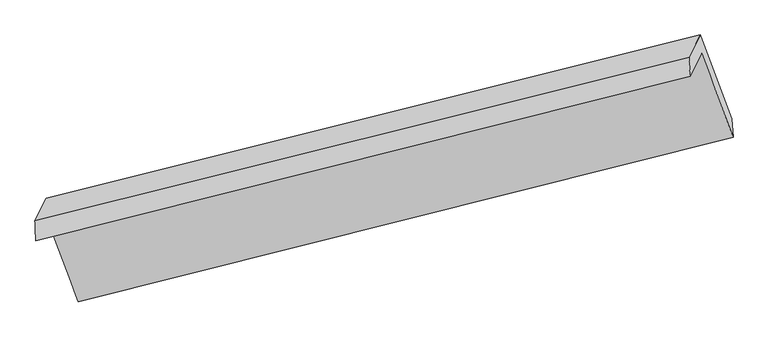
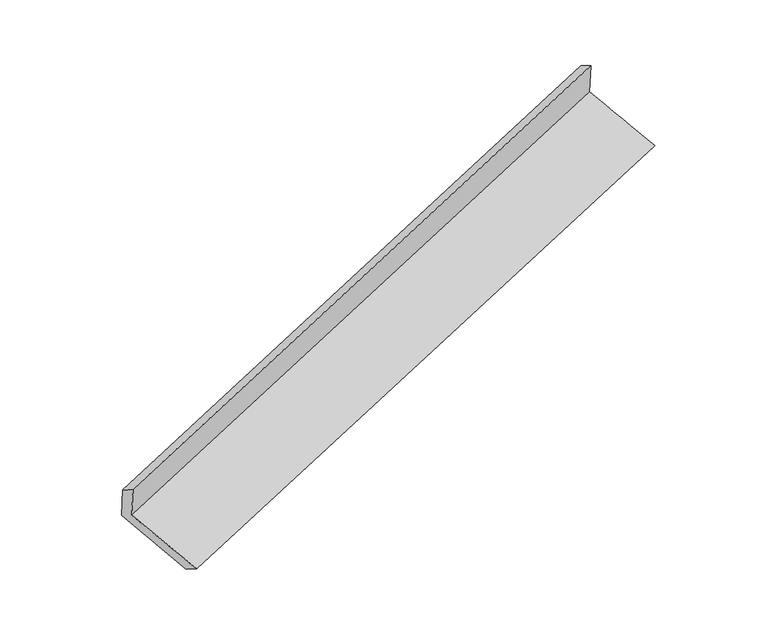
"""IFC4 building model written with IfcOpenShell, lengths in millimetres: proxy geometry."""

import ifcopenshell
import ifcopenshell.guid

model = None  # the IFC model being written
_history = None  # IfcOwnerHistory: only IFC2X3 demands one
_inside = {}  # id of a spatial element -> (the spatial element, [elements in it])
_under = {}  # id of a project, library or spatial element -> (it, [spatial elements below it])
_declared = {}  # id of a project -> (the project, [libraries it declares])
_typed = {}  # id of a type object -> (the type object, [elements of that type])
_made_of = {}  # id of a material, layer set ... -> (it, [elements and type objects made of it])


def new_model(schema):
    """Start an empty IFC model of exactly this schema.

    Asked for "IFC4X3", IfcOpenShell would pick the latest addendum, in which some entities
    have other attributes; the version numbers below select the first issue.
    IFC2X3 requires an IfcOwnerHistory on every rooted entity: one is made here for all.
    """
    global model, _history
    if schema == "IFC4X3":
        model = ifcopenshell.file(schema_version=(4, 3, 0, 0))
    else:
        model = ifcopenshell.file(schema=schema)
    _inside.clear()
    _under.clear()
    _declared.clear()
    _typed.clear()
    _made_of.clear()
    _history = None
    if model.schema == "IFC2X3":
        org = make("IfcOrganization", Name="unknown")
        user = make(
            "IfcPersonAndOrganization",
            ThePerson=make("IfcPerson", FamilyName="unknown"),
            TheOrganization=org,
        )
        app = make(
            "IfcApplication",
            ApplicationDeveloper=org,
            Version="unknown",
            ApplicationFullName="unknown",
            ApplicationIdentifier="unknown",
        )
        _history = make(
            "IfcOwnerHistory",
            OwningUser=user,
            OwningApplication=app,
            ChangeAction="ADDED",
            CreationDate=0,
        )
    return model


def make(cls, **values):
    """One entity of the class cls with the attributes given. An attribute that is None is left unset."""
    return model.create_entity(
        cls, **{name: value for name, value in values.items() if value is not None}
    )


def rooted(cls, **values):
    """An entity with a GlobalId (a new one), such as an element, a storey or a relation."""
    return make(cls, GlobalId=ifcopenshell.guid.new(), OwnerHistory=_history, **values)


def si_unit(unit_type, name, prefix=None):
    """IfcSIUnit, for example si_unit("LENGTHUNIT", "METRE", prefix="MILLI")."""
    return make("IfcSIUnit", UnitType=unit_type, Prefix=prefix, Name=name)


def assignment(units):
    """IfcUnitAssignment: the units of a project."""
    return None if units is None else make("IfcUnitAssignment", Units=units)


def point(xyz):
    """IfcCartesianPoint."""
    return None if xyz is None else make("IfcCartesianPoint", Coordinates=xyz)


def direction(xyz):
    """IfcDirection."""
    return None if xyz is None else make("IfcDirection", DirectionRatios=xyz)


def frame(location, z_axis=None, x_axis=None):
    """IfcAxis2Placement3D, a coordinate frame: its origin and axes. An axis left out is left unset."""
    return make(
        "IfcAxis2Placement3D",
        Location=point(location),
        Axis=direction(z_axis),
        RefDirection=direction(x_axis),
    )


def origin():
    """The frame at (0, 0, 0) with its axes left unset."""
    return frame((0.0, 0.0, 0.0))


def place(relative_to, where):
    """IfcLocalPlacement: puts the frame where relative to a parent placement (None: the world)."""
    return make(
        "IfcLocalPlacement", PlacementRelTo=relative_to, RelativePlacement=where
    )


def context(
    kind, dimensions, precision=None, world=None, true_north=None, identifier=None
):
    """IfcGeometricRepresentationContext, for example the 3D "Model" context."""
    return make(
        "IfcGeometricRepresentationContext",
        ContextIdentifier=identifier,
        ContextType=kind,
        CoordinateSpaceDimension=dimensions,
        Precision=precision,
        WorldCoordinateSystem=world,
        TrueNorth=true_north,
    )


def project(units=None, contexts=None):
    """IfcProject with its units and contexts."""
    return rooted(
        "IfcProject",
        Name="project",
        RepresentationContexts=contexts,
        UnitsInContext=assignment(units),
    )


def spatial(cls, under=None, at=None, **own):
    """A site, building, storey or space (cls), placed at a placement, below another one or the project."""
    s = rooted(cls, ObjectPlacement=at, **own)
    if under is not None:
        _under.setdefault(under.id(), (under, []))[1].append(s)
    return s


def shape(context_of_items, identifier, shape_type, items):
    """IfcShapeRepresentation: the items that make up one representation, for example the "Body"."""
    return make(
        "IfcShapeRepresentation",
        ContextOfItems=context_of_items,
        RepresentationIdentifier=identifier,
        RepresentationType=shape_type,
        Items=items,
    )


def source(mapping_origin, context_of_items, identifier, shape_type, items):
    """IfcRepresentationMap: a shape defined once, which mapped items show again and again."""
    return make(
        "IfcRepresentationMap",
        MappingOrigin=mapping_origin,
        MappedRepresentation=shape(context_of_items, identifier, shape_type, items),
    )


def transform(
    local_origin,
    x_axis=None,
    y_axis=None,
    z_axis=None,
    scale=None,
    scale2=None,
    scale3=None,
    uniform=True,
):
    """IfcCartesianTransformationOperator3D, or its non-uniform kind. x_axis, y_axis, z_axis: its Axis1, 2, 3."""
    if uniform:
        return make(
            "IfcCartesianTransformationOperator3D",
            Axis1=direction(x_axis),
            Axis2=direction(y_axis),
            LocalOrigin=point(local_origin),
            Scale=scale,
            Axis3=direction(z_axis),
        )
    return make(
        "IfcCartesianTransformationOperator3DnonUniform",
        Axis1=direction(x_axis),
        Axis2=direction(y_axis),
        LocalOrigin=point(local_origin),
        Scale=scale,
        Axis3=direction(z_axis),
        Scale2=scale2,
        Scale3=scale3,
    )


def mapped(mapping_source, mapping_target):
    """IfcMappedItem: shows the shape of a source again, moved by a transform."""
    return make(
        "IfcMappedItem", MappingSource=mapping_source, MappingTarget=mapping_target
    )


def made_of(thing, what):
    """Note that an element or type object is made of a material, layer set ...; save() writes the relation."""
    if what is not None:
        _made_of.setdefault(what.id(), (what, []))[1].append(thing)
    return thing


def element(
    cls,
    number,
    at=None,
    inside=None,
    cuts=None,
    type_object=None,
    material=None,
    context=None,
    identifier="Body",
    shape_type=None,
    held_by="IfcProductDefinitionShape",
    body=None,
    shapes=None,
    **own,
):
    """One element of the class cls, such as IfcWall. Its Tag is "e" and its number.

    at: its placement. inside: the storey or other place that contains it. cuts: it is an
    opening in that element (IfcRelVoidsElement). A single representation is given by context,
    identifier, shape_type and body (its items); several are given by shapes. held_by: the class
    of the entity that holds the representations. save() writes the other relations.
    """
    e = rooted(cls, Tag="e%d" % number, ObjectPlacement=at, **own)
    if body is not None:
        shapes = [shape(context, identifier, shape_type, body)]
    if shapes is not None:
        e.Representation = make(held_by, Representations=shapes)
    if inside is not None:
        _inside.setdefault(inside.id(), (inside, []))[1].append(e)
    if cuts is not None:
        rooted(
            "IfcRelVoidsElement", RelatingBuildingElement=cuts, RelatedOpeningElement=e
        )
    if type_object is not None:
        _typed.setdefault(type_object.id(), (type_object, []))[1].append(e)
    return made_of(e, material)


def aggregate(whole, parts):
    """IfcRelAggregates: a whole, such as a stair, and the parts it consists of."""
    return rooted("IfcRelAggregates", RelatingObject=whole, RelatedObjects=parts)


def save(model, path):
    """Write the relations noted so far, then the file.

    IfcRelAggregates (storeys below a building ...), IfcRelContainedInSpatialStructure (elements
    in a storey), IfcRelDefinesByType, IfcRelAssociatesMaterial and IfcRelDeclares: one each for
    every whole, place, type object, material and project.
    """
    for whole, parts in _under.values():
        aggregate(whole, parts)
    for where, things in _inside.values():
        rooted(
            "IfcRelContainedInSpatialStructure",
            RelatedElements=things,
            RelatingStructure=where,
        )
    for kind, things in _typed.values():
        rooted("IfcRelDefinesByType", RelatedObjects=things, RelatingType=kind)
    for what, things in _made_of.values():
        rooted("IfcRelAssociatesMaterial", RelatedObjects=things, RelatingMaterial=what)
    for by, libraries in _declared.values():
        rooted("IfcRelDeclares", RelatingContext=by, RelatedDefinitions=libraries)
    model.write(path)


def plane_surface(at):
    """IfcPlane: the flat surface through the origin of the frame at, square to its z axis."""
    return make("IfcPlane", Position=at)


def spline_surface(u_degree, v_degree, points, u_multiplicities, v_multiplicities, u_knots, v_knots, weights=None):
    """IfcBSplineSurfaceWithKnots; with weights, IfcRationalBSplineSurfaceWithKnots. points: one row for each step in u."""
    own = dict(
        UDegree=u_degree,
        VDegree=v_degree,
        ControlPointsList=[[point(p) for p in row] for row in points],
        SurfaceForm="UNSPECIFIED",
        UClosed=False,
        VClosed=False,
        SelfIntersect=False,
        UMultiplicities=u_multiplicities,
        VMultiplicities=v_multiplicities,
        UKnots=u_knots,
        VKnots=v_knots,
        KnotSpec="UNSPECIFIED",
    )
    if weights is None:
        return make("IfcBSplineSurfaceWithKnots", **own)
    return make("IfcRationalBSplineSurfaceWithKnots", WeightsData=weights, **own)


def advanced_brep(points, edges, surfaces, faces):
    """IfcAdvancedBrep: a solid bounded by faces that lie on surfaces and meet in shared edges.

    An edge is (start, end): straight between two places in points (the first is 0);
    or (start, end, curve); or (start, end, curve, False) where it runs against its curve.
    A face is (place in surfaces, loops), or (place, loops, False) where it looks against
    its surface's normal. A loop lists edges by number (the first is 1), with a minus sign
    where the edge is run from its end to its start. The first loop is the outer one.
    """
    corners = [point(p) for p in points]
    vertices = [make("IfcVertexPoint", VertexGeometry=c) for c in corners]
    made = []
    for start, end, *more in edges:
        made.append(
            make(
                "IfcEdgeCurve",
                EdgeStart=vertices[start],
                EdgeEnd=vertices[end],
                EdgeGeometry=more[0] if more else make("IfcPolyline", Points=[corners[start], corners[end]]),
                SameSense=more[1] if len(more) > 1 else True,
            )
        )
    hull = []
    for where, loops, *sense in faces:
        bounds = []
        for j, loop in enumerate(loops):
            ring = [make("IfcOrientedEdge", EdgeElement=made[abs(k) - 1], Orientation=k > 0) for k in loop]
            bounds.append(
                make(
                    "IfcFaceOuterBound" if j == 0 else "IfcFaceBound",
                    Bound=make("IfcEdgeLoop", EdgeList=ring),
                    Orientation=True,
                )
            )
        hull.append(make("IfcAdvancedFace", Bounds=bounds, FaceSurface=surfaces[where], SameSense=sense[0] if sense else True))
    return make("IfcAdvancedBrep", Outer=make("IfcClosedShell", CfsFaces=hull))


def generic_models_e30fcc2a(model_context):
    return source(origin(), model_context, "Body", "AdvancedBrep", [
        advanced_brep(
        [(-5227.6271356, -1909.5089922, 1145.6699222), (-5005.9494714, -2501.5085932, 933.9360497), (-357.2660636, -1332.6863154, 2476.7080423), (-580.4713248, -737.7473359, 2689.3971129), (-5308.8183273, -2068.9224098, 1506.3793589), (-662.4472461, -898.7015171, 3053.592881), (-5314.7591225, -1925.0599021, 1415.7216402), (-670.2605161, -763.1273276, 2974.5260148), (-5234.1753621, -1766.8391347, 1057.7108482), (-590.3010847, -606.132388, 2619.2889394), (-5013.0596844, -2357.3379268, 846.5137532), (-367.0958235, -1201.0713675, 2406.5998688)],
        [
            (0, 1),
            (1, 2),
            (2, 3),
            (3, 0),
            (4, 0),
            (3, 5),
            (5, 4),
            (6, 4),
            (5, 7),
            (7, 6),
            (8, 6),
            (7, 9),
            (9, 8),
            (10, 8),
            (9, 11),
            (11, 10),
            (1, 10),
            (11, 2),
        ],
        [
            spline_surface(1, 1, [[(-5227.6271356, -1909.5089922, 1145.6699222), (-580.4713248, -737.7473359, 2689.3971129)], [(-5005.9494714, -2501.5085932, 933.9360497), (-357.2660636, -1332.6863154, 2476.7080423)]], [2, 2], [2, 2], [0.0, 1.0], [0.0, 1.0]),
            plane_surface(frame((-5268.2227315, -1989.215701, 1326.0246406), z_axis=(0.32987560270006255, -0.8886752521821728, -0.31849392914500313), x_axis=(0.20164898924831803, 0.39592416211109266, -0.8958692666855812))),
            spline_surface(1, 1, [[(-5314.7591225, -1925.0599021, 1415.7216402), (-670.2605161, -763.1273276, 2974.5260148)], [(-5308.8183273, -2068.9224098, 1506.3793589), (-662.4472461, -898.7015171, 3053.592881)]], [2, 2], [2, 2], [0.0, 1.0], [0.0, 1.0]),
            plane_surface(frame((-5274.4672423, -1845.9495184, 1236.7162442), z_axis=(-0.3293157312631297, 0.8888154917495379, 0.31868192727021266), x_axis=(-0.20164898924831803, -0.395924162111092, 0.8958692666855814))),
            spline_surface(1, 1, [[(-5013.0596844, -2357.3379268, 846.5137532), (-367.0958235, -1201.0713675, 2406.5998688)], [(-5234.1753621, -1766.8391347, 1057.7108482), (-590.3010847, -606.132388, 2619.2889394)]], [2, 2], [2, 2], [0.0, 1.0], [0.0, 1.0]),
            spline_surface(1, 1, [[(-5005.9494714, -2501.5085932, 933.9360497), (-357.2660636, -1332.6863154, 2476.7080423)], [(-5013.0596844, -2357.3379268, 846.5137532), (-367.0958235, -1201.0713675, 2406.5998688)]], [2, 2], [2, 2], [0.0, 1.0], [0.0, 1.0]),
            plane_surface(frame((-537.9736765, -923.2443752, 2703.3521432), z_axis=(0.9210760378250069, 0.2344104816835126, 0.3109190547738916), x_axis=(-0.20164898924831803, -0.395924162111092, 0.8958692666855814))),
            plane_surface(frame((-5184.0648506, -2088.1961598, 1150.9885954), z_axis=(-0.9212862210287281, -0.23384971580434893, -0.3107185372018071), x_axis=(-0.33251974990628463, 0.8880080902079949, 0.3176039162973459))),
        ],
        [
            (0, [[1, 2, 3, 4]]),
            (1, [[5, -4, 6, 7]]),
            (2, [[8, -7, 9, 10]]),
            (3, [[11, -10, 12, 13]]),
            (4, [[14, -13, 15, 16]]),
            (5, [[17, -16, 18, -2]]),
            (6, [[-12, -9, -6, -3, -18, -15]]),
            (7, [[-1, -5, -8, -11, -14, -17]]),
        ],
    ),
    ])


if __name__ == "__main__":
    model = new_model("IFC4")
    model_context = context("Model", 3, world=origin())
    ifc_project = project(units=[si_unit("LENGTHUNIT", "METRE", prefix="MILLI")], contexts=[model_context])
    site = spatial("IfcSite", under=ifc_project)
    building = spatial("IfcBuilding", under=site)
    placement = place(None, origin())
    generic_models_shape = generic_models_e30fcc2a(model_context)
    element("IfcBuildingElementProxy", 1, Name="Generic Models", at=placement, inside=building, context=model_context, shape_type="MappedRepresentation", body=[
        mapped(generic_models_shape, transform((0.0, 0.0, 0.0), x_axis=(1.0, 0.0, 0.0), y_axis=(0.0, 1.0, 0.0), z_axis=(0.0, 0.0, 1.0))),
    ])
    save(model, "model.ifc")
